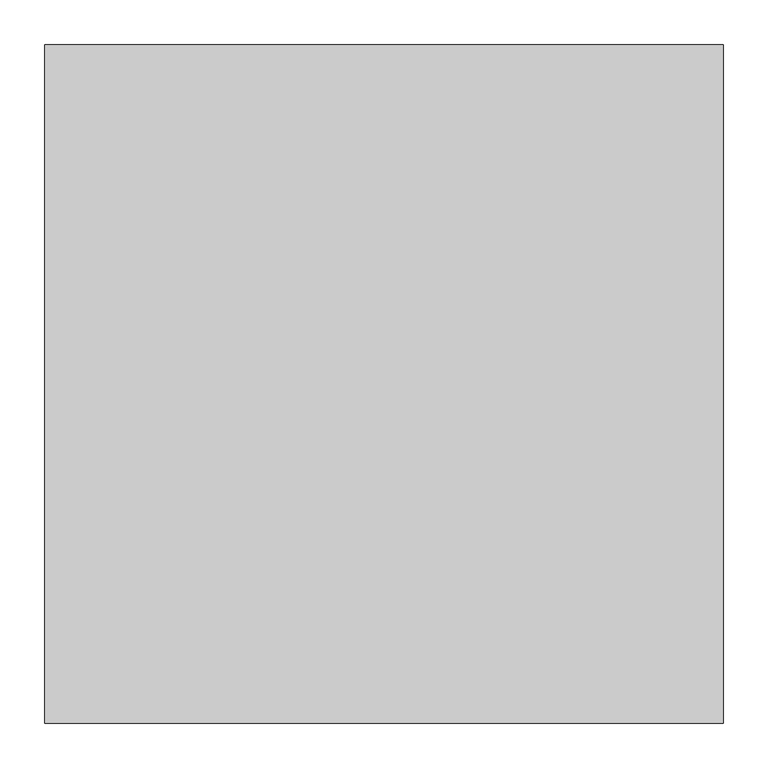
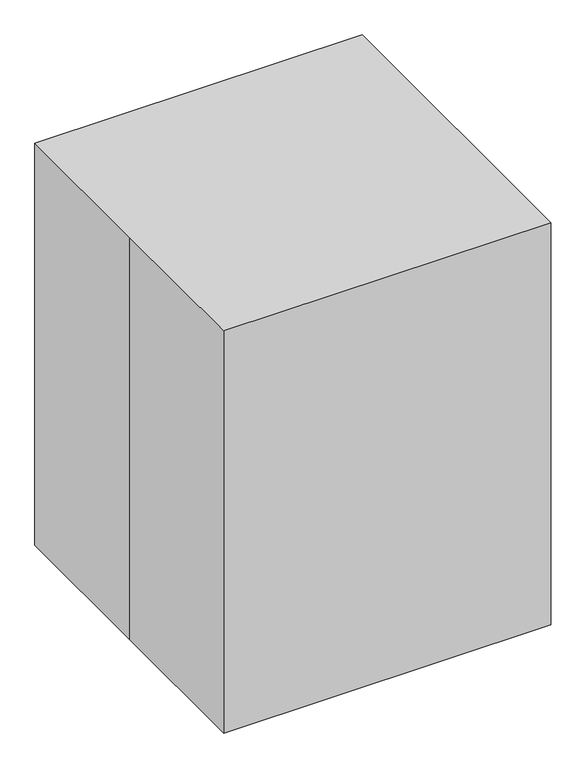
"""IFC4 building model written with IfcOpenShell, lengths in millimetres: proxy geometry."""

from ifc_helpers import new_model, si_unit, point, frame, frame_2d, origin, origin_with_axes, place, context, project, spatial, polyline, circle_curve, trimmed, segment, composite_curve, outline, extrude, source, transform, mapped, element, save


def specialty_equipment_01a1b909(model_context):
    return source(origin(), model_context, "Body", "SweptSolid", [
        extrude(outline(polyline([(0.0, -12.7), (0.0, 0.0), (558.9416871, 0.0), (558.9416871, -12.7), (0.0, -12.7)])), frame((278.2938344, -314.8802508, 642.8802614), z_axis=(0.0, 0.7071067811865502, 0.7071067811865449), x_axis=(-1.0, 0.0, 0.0)), (0.0, 0.0, 1.0), 323.85),
        extrude(outline(polyline([(0.0, -12.7), (0.0, 0.0), (513.2816619, 0.0), (513.2816619, -12.7), (0.0, -12.7)])), frame((256.2770963, -307.5768511, 668.1441734), z_axis=(0.0, 0.7071067811865502, 0.7071067811865449), x_axis=(-1.0, 0.0, 0.0)), (0.0, 0.0, 1.0), 269.0714331),
        extrude(outline(composite_curve([segment(trimmed(circle_curve(frame_2d((268.3538628, -262.2096307)), 12.7), [point((281.0538628, -262.2096307))], [point((255.6538628, -262.2096307))], False, "CARTESIAN"), True, "CONTINUOUS"), segment(trimmed(circle_curve(frame_2d((268.3538628, -262.2096307)), 12.7), [point((255.6538628, -262.2096307))], [point((281.0538628, -262.2096307))], False, "CARTESIAN"), True, "CONTINUOUS")], self_intersect=False)), frame((0.0, 0.0, 12.7), z_axis=(0.0, 0.0, 1.0), x_axis=(1.0, 0.0, 0.0)), (0.0, 0.0, 1.0), 88.9),
        extrude(outline(composite_curve([segment(trimmed(circle_curve(frame_2d((268.3538628, -262.2096307)), 25.4), [point((293.7538628, -262.2096307))], [point((242.9538628, -262.2096307))], False, "CARTESIAN"), True, "CONTINUOUS"), segment(trimmed(circle_curve(frame_2d((268.3538628, -262.2096307)), 25.4), [point((242.9538628, -262.2096307))], [point((293.7538628, -262.2096307))], False, "CARTESIAN"), True, "CONTINUOUS")], self_intersect=False)), origin_with_axes(), (0.0, 0.0, 1.0), 12.7),
        extrude(outline(composite_curve([segment(trimmed(circle_curve(frame_2d((-268.3538628, -262.2096307)), 12.7), [point((-281.0538628, -262.2096307))], [point((-255.6538628, -262.2096307))], False, "CARTESIAN"), True, "CONTINUOUS"), segment(trimmed(circle_curve(frame_2d((-268.3538628, -262.2096307)), 12.7), [point((-255.6538628, -262.2096307))], [point((-281.0538628, -262.2096307))], False, "CARTESIAN"), True, "CONTINUOUS")], self_intersect=False)), frame((0.0, 0.0, 12.7), z_axis=(0.0, 0.0, 1.0), x_axis=(1.0, 0.0, 0.0)), (0.0, 0.0, 1.0), 88.9),
        extrude(outline(composite_curve([segment(trimmed(circle_curve(frame_2d((-268.3538628, -262.2096307)), 25.4), [point((-293.7538628, -262.2096307))], [point((-242.9538628, -262.2096307))], False, "CARTESIAN"), True, "CONTINUOUS"), segment(trimmed(circle_curve(frame_2d((-268.3538628, -262.2096307)), 25.4), [point((-242.9538628, -262.2096307))], [point((-293.7538628, -262.2096307))], False, "CARTESIAN"), True, "CONTINUOUS")], self_intersect=False)), origin_with_axes(), (0.0, 0.0, 1.0), 12.7),
        extrude(outline(composite_curve([segment(trimmed(circle_curve(frame_2d((268.3538628, 321.9903693)), 12.7), [point((281.0538628, 321.9903693))], [point((255.6538628, 321.9903693))], False, "CARTESIAN"), True, "CONTINUOUS"), segment(trimmed(circle_curve(frame_2d((268.3538628, 321.9903693)), 12.7), [point((255.6538628, 321.9903693))], [point((281.0538628, 321.9903693))], False, "CARTESIAN"), True, "CONTINUOUS")], self_intersect=False)), frame((0.0, 0.0, 12.7), z_axis=(0.0, 0.0, 1.0), x_axis=(1.0, 0.0, 0.0)), (0.0, 0.0, 1.0), 88.9),
        extrude(outline(composite_curve([segment(trimmed(circle_curve(frame_2d((268.3538628, 321.9903693)), 25.4), [point((293.7538628, 321.9903693))], [point((242.9538628, 321.9903693))], False, "CARTESIAN"), True, "CONTINUOUS"), segment(trimmed(circle_curve(frame_2d((268.3538628, 321.9903693)), 25.4), [point((242.9538628, 321.9903693))], [point((293.7538628, 321.9903693))], False, "CARTESIAN"), True, "CONTINUOUS")], self_intersect=False)), origin_with_axes(), (0.0, 0.0, 1.0), 12.7),
        extrude(outline(polyline([(381.0, 889.0), (381.0, 101.6), (-330.2, 101.6), (-330.2, 609.6), (-50.8, 889.0), (381.0, 889.0)])), frame((-342.9, 0.0, 0.0), z_axis=(1.0, 0.0, 0.0), x_axis=(0.0, 1.0, 0.0)), (0.0, 0.0, 1.0), 685.8),
        extrude(outline(composite_curve([segment(trimmed(circle_curve(frame_2d((-268.3538628, 321.9903693)), 12.7), [point((-281.0538628, 321.9903693))], [point((-255.6538628, 321.9903693))], False, "CARTESIAN"), True, "CONTINUOUS"), segment(trimmed(circle_curve(frame_2d((-268.3538628, 321.9903693)), 12.7), [point((-255.6538628, 321.9903693))], [point((-281.0538628, 321.9903693))], False, "CARTESIAN"), True, "CONTINUOUS")], self_intersect=False)), frame((0.0, 0.0, 12.7), z_axis=(0.0, 0.0, 1.0), x_axis=(1.0, 0.0, 0.0)), (0.0, 0.0, 1.0), 88.9),
        extrude(outline(composite_curve([segment(trimmed(circle_curve(frame_2d((-268.3538628, 321.9903693)), 25.4), [point((-293.7538628, 321.9903693))], [point((-242.9538628, 321.9903693))], False, "CARTESIAN"), True, "CONTINUOUS"), segment(trimmed(circle_curve(frame_2d((-268.3538628, 321.9903693)), 25.4), [point((-242.9538628, 321.9903693))], [point((-293.7538628, 321.9903693))], False, "CARTESIAN"), True, "CONTINUOUS")], self_intersect=False)), origin_with_axes(), (0.0, 0.0, 1.0), 12.7),
        extrude(outline(polyline([(-381.0, 381.0), (381.0, 381.0), (381.0, -381.0), (-381.0, -381.0), (-381.0, 0.0), (-381.0, 381.0)])), origin_with_axes(), (0.0, 0.0, 1.0), 990.6),
    ])


if __name__ == "__main__":
    model = new_model("IFC4")
    model_context = context("Model", 3, world=origin())
    ifc_project = project(units=[si_unit("LENGTHUNIT", "METRE", prefix="MILLI")], contexts=[model_context])
    site = spatial("IfcSite", under=ifc_project)
    building = spatial("IfcBuilding", under=site)
    placement = place(None, origin())
    specialty_equipment_shape = specialty_equipment_01a1b909(model_context)
    element("IfcBuildingElementProxy", 1, Name="Specialty Equipment", at=placement, inside=building, context=model_context, shape_type="MappedRepresentation", body=[
        mapped(specialty_equipment_shape, transform((0.0, 0.0, 0.0), x_axis=(1.0, 0.0, 0.0), y_axis=(0.0, 1.0, 0.0), z_axis=(0.0, 0.0, 1.0))),
    ])
    save(model, "model.ifc")
